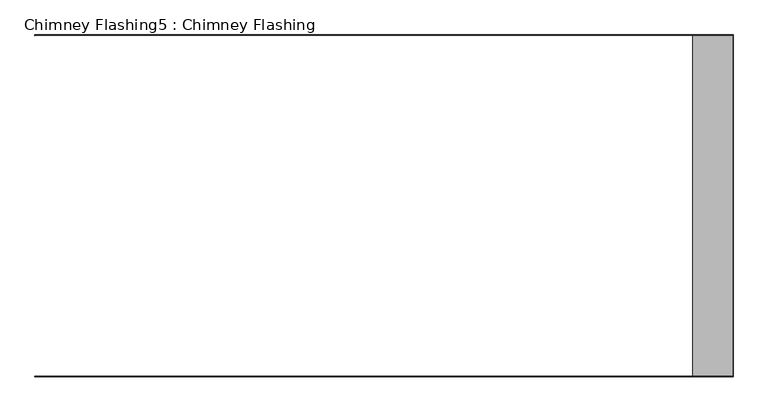
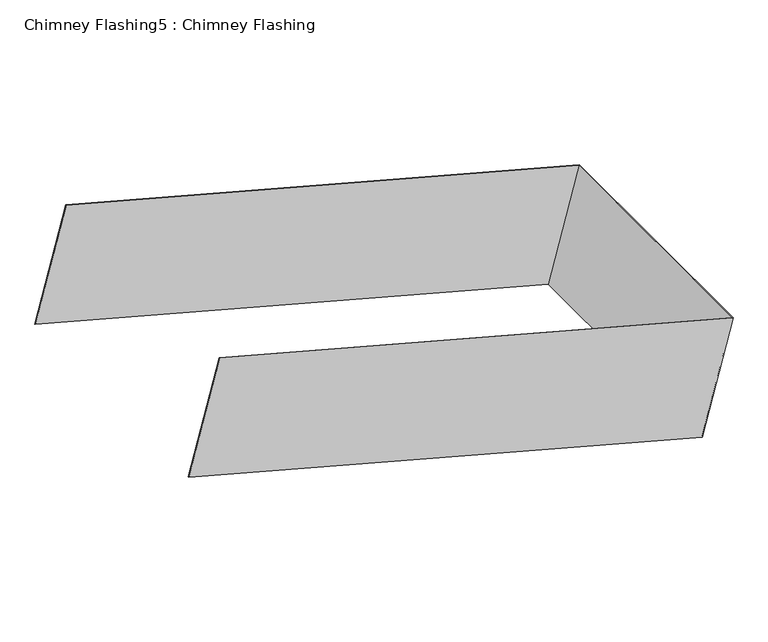
"""IFC4 building model written with IfcOpenShell, lengths in millimetres: proxy geometry, Chimney Flashing5 : Chimney Flashing."""

from ifc_helpers import new_model, si_unit, frame, origin, place, context, project, spatial, polyline, outline, extrude, source, transform, mapped, element, save


def chimney_flashing5_chimney_flashing_0f1dea0d(model_context):
    return source(origin(), model_context, "Body", "SweptSolid", [
        extrude(outline(polyline([(0.0, -1.0), (0.0, 0.0), (1200.9999999, 0.0), (1200.9999999, -602.0), (0.0, -602.0), (0.0, -601.0), (1199.9999999, -601.0), (1199.9999999, -1.0), (0.0, -1.0)])), frame((43692.9723413, -24933.4385792, 7284.2509927), z_axis=(0.2585656769121139, 0.0, 0.9659936804777661), x_axis=(0.9659936804777661, 0.0, -0.2585656769121139)), (0.0, 0.0, 1.0), 269.6718079),
    ])


if __name__ == "__main__":
    model = new_model("IFC4")
    model_context = context("Model", 3, world=origin())
    ifc_project = project(units=[si_unit("LENGTHUNIT", "METRE", prefix="MILLI")], contexts=[model_context])
    site = spatial("IfcSite", under=ifc_project)
    building = spatial("IfcBuilding", under=site)
    placement = place(None, origin())
    chimney_flashing5_chimney_flashing_shape = chimney_flashing5_chimney_flashing_0f1dea0d(model_context)
    element("IfcBuildingElementProxy", 1, Name="Chimney Flashing5 : Chimney Flashing", ObjectType="Chimney Flashing5 : Chimney Flashing", at=placement, inside=building, context=model_context, shape_type="MappedRepresentation", body=[
        mapped(chimney_flashing5_chimney_flashing_shape, transform((0.0, 0.0, 0.0), x_axis=(1.0, 0.0, 0.0), y_axis=(0.0, 1.0, 0.0), z_axis=(0.0, 0.0, 1.0))),
    ])
    save(model, "model.ifc")
